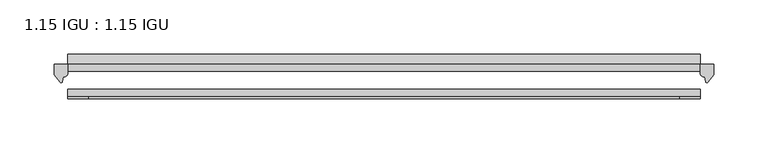
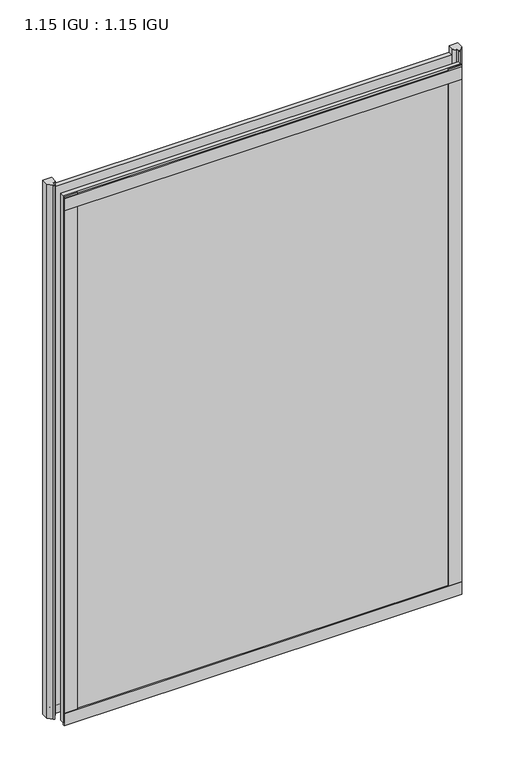
"""IFC4 building model written with IfcOpenShell, lengths in millimetres: plate geometry, 1.15 IGU : 1.15 IGU."""

from ifc_helpers import new_model, si_unit, point, frame, frame_2d, origin, place, context, project, spatial, polyline, circle_curve, trimmed, segment, composite_curve, outline, extrude, source, transform, mapped, element, save


def plate_1_15_igu_1_15_igu_6047d441(model_context):
    return source(origin(), model_context, "Body", "SweptSolid", [
        extrude(outline(polyline([(292.1, 0.0), (292.1, -6.2992), (-292.1, -6.2992), (-292.1, 0.0), (292.1, 0.0)])), frame((0.0, 0.0, -15.875), z_axis=(0.0, 0.0, 1.0), x_axis=(1.0, 0.0, 0.0)), (0.0, 0.0, 1.0), 819.1500001),
        extrude(outline(polyline([(-292.1, -23.1648), (292.1, -23.1648), (292.1, -29.464), (-292.1, -29.464), (-292.1, -23.1648)])), frame((0.0, 0.0, -15.875), z_axis=(0.0, 0.0, 1.0), x_axis=(1.0, 0.0, 0.0)), (0.0, 0.0, 1.0), 819.1500001),
        extrude(outline(composite_curve([segment(polyline([(304.8, 0.0), (304.8, -9.7395025), (299.2337691, -16.3730781)]), True, "CONTINUOUS"), segment(trimmed(circle_curve(frame_2d((298.2800941, -15.7728374)), 1.1268473), [point((299.2337691, -16.3730781))], [point((297.1791412, -16.0130197))], False, "CARTESIAN"), True, "CONTINUOUS"), segment(polyline([(297.1791412, -16.0130197), (296.1989498, -11.7377885)]), True, "CONTINUOUS"), segment(trimmed(circle_curve(frame_2d((296.0714979, -7.7683362)), 3.9714979), [point((296.1989498, -11.7377885))], [point((292.1001786, -7.8060014))], False, "CARTESIAN"), True, "CONTINUOUS"), segment(polyline([(292.1001786, -7.8060014), (292.1001786, 0.0), (304.8, 0.0)]), True, "CONTINUOUS")], self_intersect=False)), frame((0.0, 0.0, -15.875), z_axis=(0.0, 0.0, 1.0), x_axis=(1.0, 0.0, 0.0)), (0.0, 0.0, 1.0), 829.4624001),
        extrude(outline(composite_curve([segment(polyline([(-292.1, 8.8e-06), (-292.1, -7.7683362)]), True, "CONTINUOUS"), segment(trimmed(circle_curve(frame_2d((-296.0714979, -7.7683362)), 3.9714979), [point((-292.1, -7.7683362))], [point((-296.1989498, -11.7377885))], False, "CARTESIAN"), True, "CONTINUOUS"), segment(polyline([(-296.1989498, -11.7377885), (-297.1789843, -16.012436)]), True, "CONTINUOUS"), segment(trimmed(circle_curve(frame_2d((-298.2801933, -15.7723555)), 1.1270758), [point((-297.1789843, -16.012436))], [point((-299.2340327, -16.372764))], False, "CARTESIAN"), True, "CONTINUOUS"), segment(polyline([(-299.2340327, -16.372764), (-304.8, -9.7395025), (-304.8, 8.8e-06), (-292.1, 8.8e-06)]), True, "CONTINUOUS")], self_intersect=False)), frame((0.0, 0.0, -15.875), z_axis=(0.0, 0.0, 1.0), x_axis=(1.0, 0.0, 0.0)), (0.0, 0.0, 1.0), 829.4624001),
        extrude(outline(polyline([(-292.1, -31.75), (-292.1, -29.464), (292.1, -29.464), (292.1, -31.75), (-292.1, -31.75)])), frame((0.0, 0.0, -19.05), z_axis=(0.0, 0.0, 1.0), x_axis=(1.0, 0.0, 0.0)), (0.0, 0.0, 1.0), 19.05),
        extrude(outline(composite_curve([segment(trimmed(circle_curve(frame_2d((13.6593785, 32.4202472)), 31.3046461), [point((0.0, 4.2528503))], [point((9.3980339, 1.406995))], True, "CARTESIAN"), True, "CONTINUOUS"), segment(polyline([(9.3980339, 1.406995), (9.3980339, 0.0254), (6.35, 0.0254), (6.35, -5.1625788), (7.7309478, -5.3970663), (6.35, -8.0073788), (6.35, -11.8471127)]), True, "CONTINUOUS"), segment(trimmed(circle_curve(frame_2d((5.334, -11.8471127)), 1.016), [point((6.35, -11.8471127))], [point((4.6284878, -12.5782136))], False, "CARTESIAN"), True, "CONTINUOUS"), segment(trimmed(circle_curve(frame_2d((-23.3689302, -41.5910901)), 40.3187601), [point((4.6284878, -12.5782136))], [point((0.0, -8.735413))], True, "CARTESIAN"), True, "CONTINUOUS"), segment(polyline([(0.0, -8.735413), (0.0, 4.2528503)]), True, "CONTINUOUS")], self_intersect=False)), frame((-292.1, 0.0, 0.0), z_axis=(1.0, 0.0, 0.0), x_axis=(0.0, 1.0, 0.0)), (0.0, 0.0, 1.0), 584.2),
        extrude(outline(polyline([(-292.1, -31.75), (-292.1, -29.464), (292.1, -29.464), (292.1, -31.75), (-292.1, -31.75)])), frame((0.0, 0.0, 781.0500001), z_axis=(0.0, 0.0, 1.0), x_axis=(1.0, 0.0, 0.0)), (0.0, 0.0, 1.0), 19.05),
        extrude(outline(polyline([(273.05, -29.464), (292.1, -29.464), (292.1, -31.75), (273.05, -31.75), (273.05, -29.464)])), frame((0.0, 0.0, -15.875), z_axis=(0.0, 0.0, 1.0), x_axis=(1.0, 0.0, 0.0)), (0.0, 0.0, 1.0), 819.1500001),
        extrude(outline(polyline([(-292.1, -31.75), (-292.1, -29.464), (-273.05, -29.464), (-273.05, -31.75), (-292.1, -31.75)])), frame((0.0, 0.0, -15.875), z_axis=(0.0, 0.0, 1.0), x_axis=(1.0, 0.0, 0.0)), (0.0, 0.0, 1.0), 819.1500001),
    ])


if __name__ == "__main__":
    model = new_model("IFC4")
    model_context = context("Model", 3, world=origin())
    ifc_project = project(units=[si_unit("LENGTHUNIT", "METRE", prefix="MILLI")], contexts=[model_context])
    site = spatial("IfcSite", under=ifc_project)
    building = spatial("IfcBuilding", under=site)
    placement = place(None, origin())
    plate_1_15_igu_1_15_igu_shape = plate_1_15_igu_1_15_igu_6047d441(model_context)
    element("IfcPlate", 1, ObjectType="1.15 IGU : 1.15 IGU", at=placement, inside=building, context=model_context, shape_type="MappedRepresentation", body=[
        mapped(plate_1_15_igu_1_15_igu_shape, transform((0.0, 0.0, 0.0), x_axis=(1.0, 0.0, 0.0), y_axis=(0.0, 1.0, 0.0), z_axis=(0.0, 0.0, 1.0))),
    ])
    save(model, "model.ifc")
